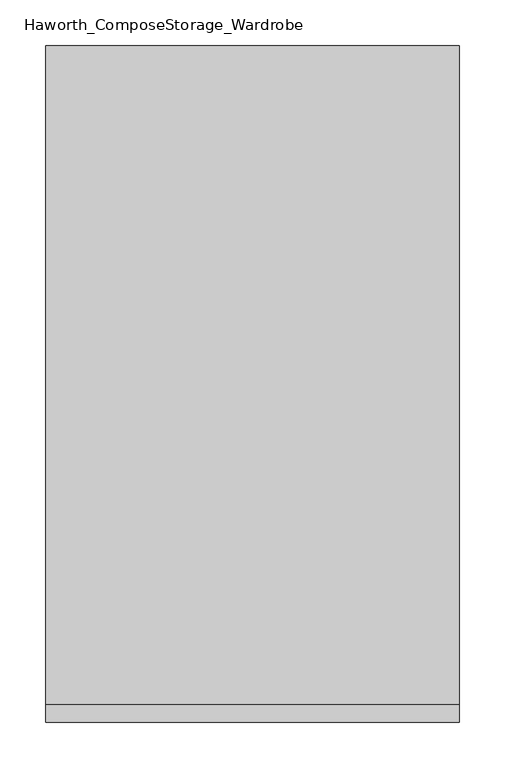
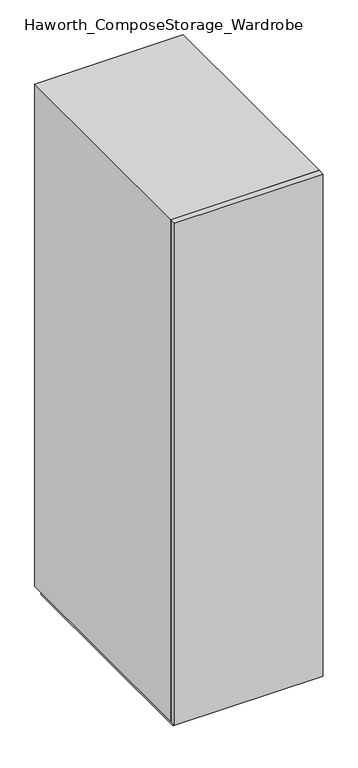
"""IFC4 building model written with IfcOpenShell, lengths in millimetres: furniture geometry, Haworth_ComposeStorage_Wardrobe."""

from ifc_helpers import new_model, si_unit, frame, origin, origin_with_axes, place, context, project, spatial, polyline, outline, extrude, faceted_brep, source, transform, mapped, element, save


def haworth_composestorage_wardrobe_c00aaba8(model_context):
    return source(origin(), model_context, "Body", "SolidModel", [
        extrude(outline(polyline([(227.0263906, -381.0), (-226.9986094, -381.0), (-226.9986094, -361.95), (227.0263906, -361.95), (227.0263906, -381.0)])), frame((0.0, 0.0, 25.4), z_axis=(0.0, 0.0, 1.0), x_axis=(1.0, 0.0, 0.0)), (0.0, 0.0, 1.0), 1625.6),
        faceted_brep([(-226.9986094, -361.95, 25.4), (227.0263906, -361.95, 25.4), (227.0263906, -361.95, 1651.0), (-226.9986094, -361.95, 1651.0), (-207.9486094, -361.95, 44.45), (-207.9486094, -361.95, 1631.95), (207.9486094, -361.95, 1631.95), (207.9486094, -361.95, 44.45), (-226.9986094, 361.95, 25.4), (-226.9986094, 361.95, 1651.0), (227.0263906, 361.95, 1651.0), (227.0263906, 361.95, 25.4), (-207.9486094, 342.9, 44.45), (-207.9486094, 342.9, 1631.95), (207.9486094, 342.9, 1631.95), (207.9486094, 342.9, 44.45)], [[[0, 1, 2, 3], [4, 5, 6, 7]], [[8, 9, 10, 11]], [[1, 0, 8, 11]], [[2, 1, 11, 10]], [[3, 2, 10, 9]], [[0, 3, 9, 8]], [[5, 4, 12, 13]], [[6, 5, 13, 14]], [[7, 6, 14, 15]], [[4, 7, 15, 12]], [[13, 12, 15, 14]]]),
        extrude(outline(polyline([(214.3263906, -349.25), (-214.2986094, -349.25), (-214.2986094, 349.25), (214.3263906, 349.25), (214.3263906, -349.25)])), origin_with_axes(), (0.0, 0.0, 1.0), 25.4),
    ])


if __name__ == "__main__":
    model = new_model("IFC4")
    model_context = context("Model", 3, world=origin())
    ifc_project = project(units=[si_unit("LENGTHUNIT", "METRE", prefix="MILLI")], contexts=[model_context])
    site = spatial("IfcSite", under=ifc_project)
    building = spatial("IfcBuilding", under=site)
    placement = place(None, origin())
    haworth_composestorage_wardrobe_shape = haworth_composestorage_wardrobe_c00aaba8(model_context)
    element("IfcFurniture", 1, ObjectType="Haworth_ComposeStorage_Wardrobe", at=placement, inside=building, context=model_context, shape_type="MappedRepresentation", body=[
        mapped(haworth_composestorage_wardrobe_shape, transform((0.0, 0.0, 0.0), x_axis=(1.0, 0.0, 0.0), y_axis=(0.0, 1.0, 0.0), z_axis=(0.0, 0.0, 1.0))),
    ])
    save(model, "model.ifc")
